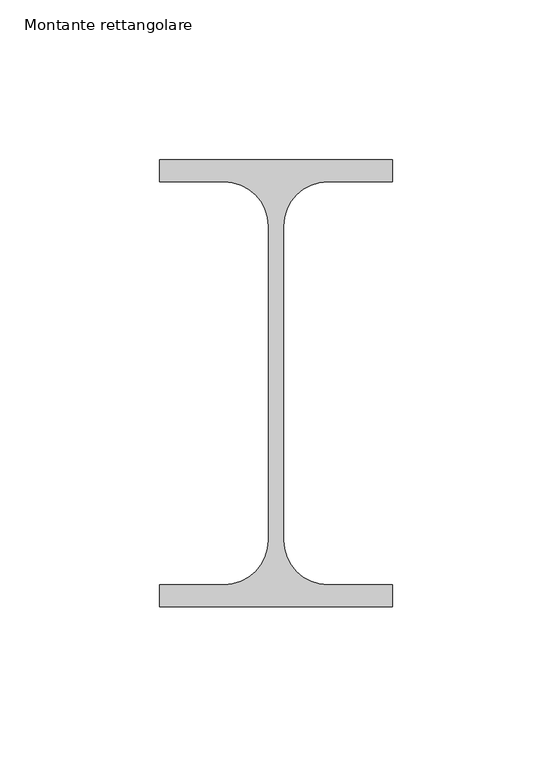
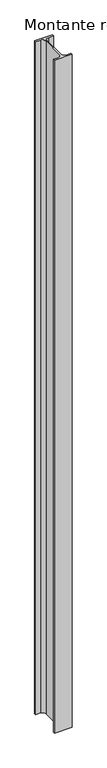
"""IFC4 building model written with IfcOpenShell, lengths in millimetres: member geometry, Montante rettangolare."""

from ifc_helpers import new_model, si_unit, point, frame, frame_2d, origin, place, context, project, spatial, polyline, circle_curve, trimmed, segment, composite_curve, outline, extrude, source, transform, mapped, element, save


def montante_rettangolare_973ecfca(model_context):
    return source(origin(), model_context, "Body", "SweptSolid", [
        extrude(outline(composite_curve([segment(polyline([(-36.5, -13.1), (-16.25, -13.1)]), True, "CONTINUOUS"), segment(trimmed(circle_curve(frame_2d((-16.25, 0.8)), 13.9), [point((-16.25, -13.1))], [point((-2.35, 0.8))], True, "CARTESIAN"), True, "CONTINUOUS"), segment(polyline([(-2.35, 0.8), (-2.35, 99.2)]), True, "CONTINUOUS"), segment(trimmed(circle_curve(frame_2d((-16.25, 99.2)), 13.9), [point((-2.35, 99.2))], [point((-16.25, 113.1))], True, "CARTESIAN"), True, "CONTINUOUS"), segment(polyline([(-16.25, 113.1), (-36.5, 113.1), (-36.5, 120.0), (36.5, 120.0), (36.5, 113.1), (16.25, 113.1)]), True, "CONTINUOUS"), segment(trimmed(circle_curve(frame_2d((16.25, 99.2)), 13.9), [point((16.25, 113.1))], [point((2.35, 99.2))], True, "CARTESIAN"), True, "CONTINUOUS"), segment(polyline([(2.35, 99.2), (2.35, 0.8)]), True, "CONTINUOUS"), segment(trimmed(circle_curve(frame_2d((16.25, 0.8)), 13.9), [point((2.35, 0.8))], [point((16.25, -13.1))], True, "CARTESIAN"), True, "CONTINUOUS"), segment(polyline([(16.25, -13.1), (36.5, -13.1), (36.5, -20.0), (-36.5, -20.0), (-36.5, -13.1)]), True, "CONTINUOUS")], self_intersect=False)), frame((0.0, 0.0, -2922.4566247), z_axis=(0.0, 0.0, 1.0), x_axis=(1.0, 0.0, 0.0)), (0.0, 0.0, 1.0), 2922.4566247),
    ])


if __name__ == "__main__":
    model = new_model("IFC4")
    model_context = context("Model", 3, world=origin())
    ifc_project = project(units=[si_unit("LENGTHUNIT", "METRE", prefix="MILLI")], contexts=[model_context])
    site = spatial("IfcSite", under=ifc_project)
    building = spatial("IfcBuilding", under=site)
    placement = place(None, origin())
    montante_rettangolare_shape = montante_rettangolare_973ecfca(model_context)
    element("IfcMember", 1, ObjectType="Montante rettangolare", at=placement, inside=building, context=model_context, shape_type="MappedRepresentation", body=[
        mapped(montante_rettangolare_shape, transform((0.0, 0.0, 0.0), x_axis=(1.0, 0.0, 0.0), y_axis=(0.0, 1.0, 0.0), z_axis=(0.0, 0.0, 1.0))),
    ])
    save(model, "model.ifc")
